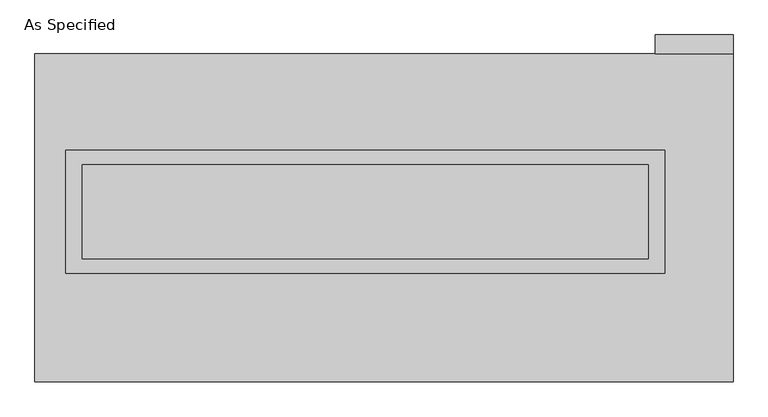
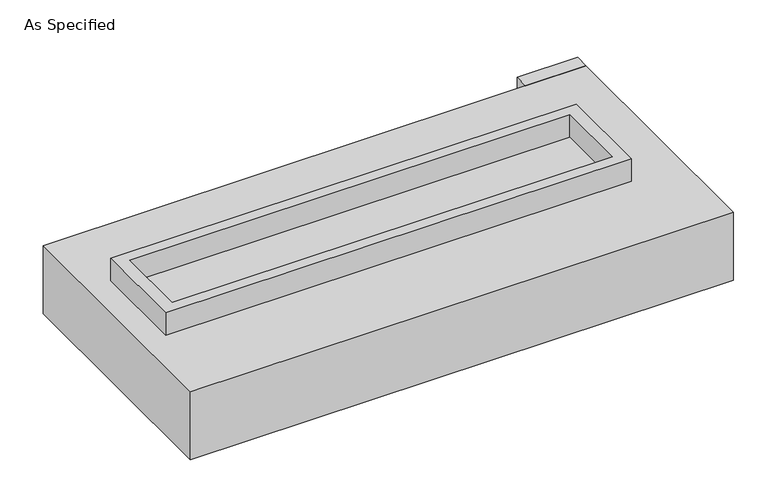
"""IFC4 building model written with IfcOpenShell, lengths in millimetres: proxy geometry, As Specified."""

from ifc_helpers import new_model, si_unit, frame, origin, place, context, project, spatial, polyline, outline, extrude, faceted_brep, source, transform, mapped, element, save


def as_specified_ef65642c(model_context):
    return source(origin(), model_context, "Body", "SolidModel", [
        extrude(outline(polyline([(1612.9, 361.95), (1612.9, -298.45), (-1612.9, -298.45), (-1612.9, 361.95), (1612.9, 361.95)]), holes=[polyline([(1524.0, 285.75), (-1524.0, 285.75), (-1524.0, -222.25), (1524.0, -222.25), (1524.0, 285.75)])]), frame((0.0, 0.0, -25.4), z_axis=(0.0, 0.0, 1.0), x_axis=(1.0, 0.0, 0.0)), (0.0, 0.0, 1.0), 165.1),
        extrude(outline(polyline([(1562.1, 882.65), (1562.1, 984.25), (1981.2, 984.25), (1981.2, 882.65), (1562.1, 882.65)])), frame((0.0, 0.0, -523.875), z_axis=(0.0, 0.0, 1.0), x_axis=(1.0, 0.0, 0.0)), (0.0, 0.0, 1.0), 498.475),
        extrude(outline(polyline([(1524.0, 285.75), (1524.0, -222.25), (-1524.0, -222.25), (-1524.0, 285.75), (1524.0, 285.75)])), frame((0.0, 0.0, -30.3609375), z_axis=(0.0, 0.0, 1.0), x_axis=(1.0, 0.0, 0.0)), (0.0, 0.0, 1.0), 4.9609375),
        faceted_brep([(1981.2, -882.65, -523.875), (-1778.0, -882.65, -523.875), (-1778.0, 882.65, -523.875), (1981.2, 882.65, -523.875), (1981.2, 882.65, -25.4), (-1778.0, 882.65, -25.4), (-1778.0, -882.65, -25.4), (1981.2, -882.65, -25.4), (1612.9, 361.95, -25.4), (1612.9, -298.45, -25.4), (-1612.9, -298.45, -25.4), (-1612.9, 361.95, -25.4), (1612.9, 361.95, -498.475), (-1612.9, 361.95, -498.475), (-1612.9, -298.45, -498.475), (1612.9, -298.45, -498.475)], [[[0, 1, 2, 3]], [[4, 5, 6, 7], [8, 9, 10, 11]], [[3, 2, 5, 4]], [[2, 1, 6, 5]], [[0, 3, 4, 7]], [[12, 13, 14, 15]], [[14, 13, 11, 10]], [[13, 12, 8, 11]], [[12, 15, 9, 8]], [[10, 9, 15, 14]], [[1, 0, 7, 6]]]),
    ])


if __name__ == "__main__":
    model = new_model("IFC4")
    model_context = context("Model", 3, world=origin())
    ifc_project = project(units=[si_unit("LENGTHUNIT", "METRE", prefix="MILLI")], contexts=[model_context])
    site = spatial("IfcSite", under=ifc_project)
    building = spatial("IfcBuilding", under=site)
    placement = place(None, origin())
    as_specified_shape = as_specified_ef65642c(model_context)
    element("IfcBuildingElementProxy", 1, Name="As Specified", ObjectType="As Specified", at=placement, inside=building, context=model_context, shape_type="MappedRepresentation", body=[
        mapped(as_specified_shape, transform((0.0, 0.0, 0.0), x_axis=(1.0, 0.0, 0.0), y_axis=(0.0, 1.0, 0.0), z_axis=(0.0, 0.0, 1.0))),
    ])
    save(model, "model.ifc")
